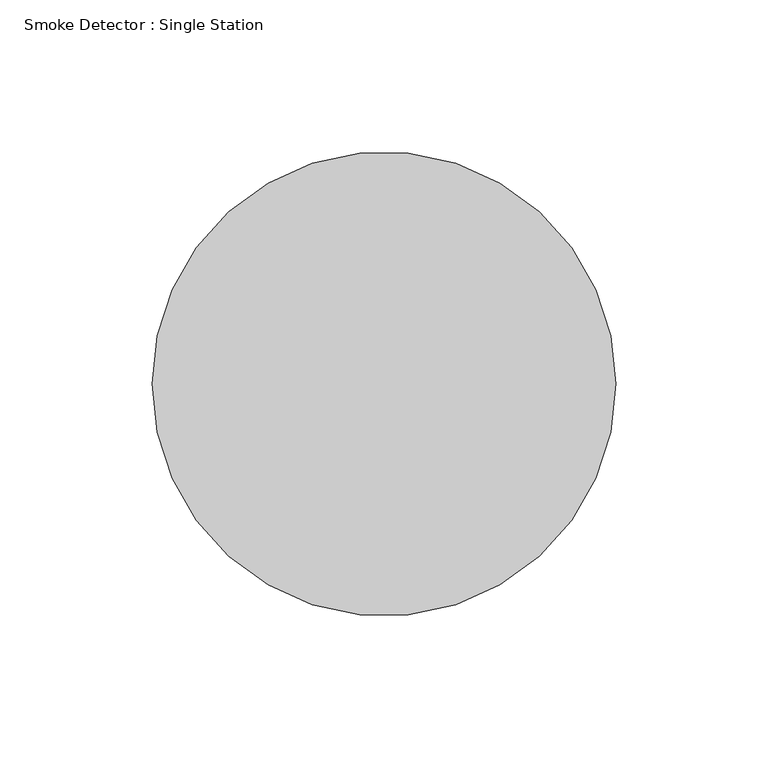
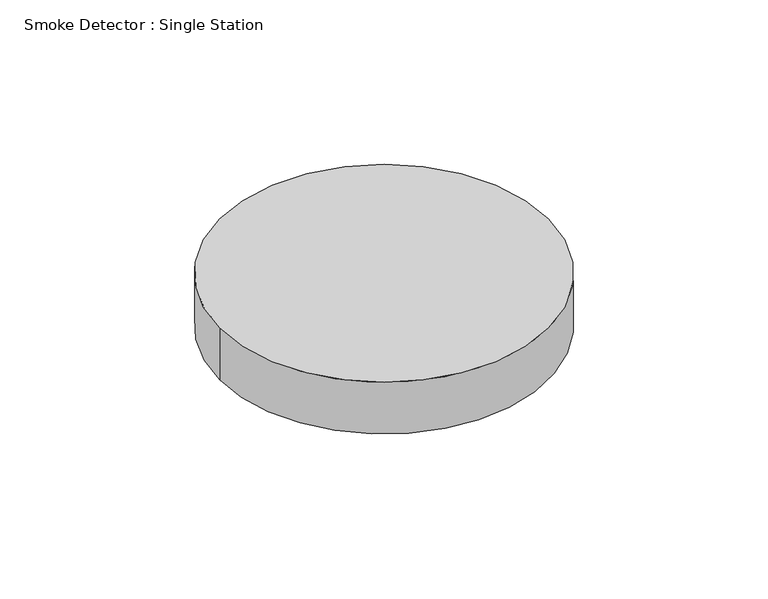
"""IFC4 building model written with IfcOpenShell, lengths in millimetres: alarm geometry, Smoke Detector : Single Station."""

from ifc_helpers import new_model, si_unit, point, frame, frame_2d, origin, place, context, project, spatial, circle_curve, trimmed, segment, composite_curve, outline, extrude, source, transform, mapped, element, save


def smoke_detector_single_station_36f6d790(model_context):
    return source(origin(), model_context, "Body", "SweptSolid", [
        extrude(outline(composite_curve([segment(trimmed(circle_curve(frame_2d((-34.4117675, -10.7254698)), 76.2), [point((41.7882325, -10.7254698))], [point((-110.6117675, -10.7254698))], False, "CARTESIAN"), True, "CONTINUOUS"), segment(trimmed(circle_curve(frame_2d((-34.4117675, -10.7254698)), 76.2), [point((-110.6117675, -10.7254698))], [point((41.7882325, -10.7254698))], False, "CARTESIAN"), True, "CONTINUOUS")], self_intersect=False)), frame((0.0, 0.0, 2717.8), z_axis=(0.0, 0.0, 1.0), x_axis=(1.0, 0.0, 0.0)), (0.0, 0.0, 1.0), 25.4),
    ])


if __name__ == "__main__":
    model = new_model("IFC4")
    model_context = context("Model", 3, world=origin())
    ifc_project = project(units=[si_unit("LENGTHUNIT", "METRE", prefix="MILLI")], contexts=[model_context])
    site = spatial("IfcSite", under=ifc_project)
    building = spatial("IfcBuilding", under=site)
    placement = place(None, origin())
    smoke_detector_single_station_shape = smoke_detector_single_station_36f6d790(model_context)
    element("IfcAlarm", 1, ObjectType="Smoke Detector : Single Station", at=placement, inside=building, context=model_context, shape_type="MappedRepresentation", body=[
        mapped(smoke_detector_single_station_shape, transform((0.0, 0.0, 0.0), x_axis=(1.0, 0.0, 0.0), y_axis=(0.0, 1.0, 0.0), z_axis=(0.0, 0.0, 1.0))),
    ])
    save(model, "model.ifc")
